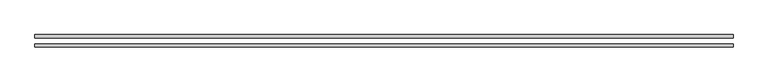
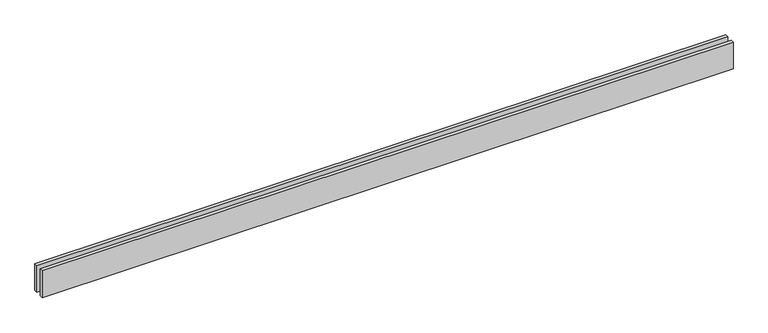
"""IFC4 building model written with IfcOpenShell, lengths in millimetres: proxy geometry."""

from ifc_helpers import new_model, si_unit, origin, origin_with_axes, place, context, project, spatial, polyline, outline, extrude, source, transform, mapped, element, save


def generic_models_b6d5a84d(model_context):
    return source(origin(), model_context, "Body", "SweptSolid", [
        extrude(outline(polyline([(6110.0, -25.0), (6110.0, -55.0), (0.0, -55.0), (0.0, -25.0), (6110.0, -25.0)])), origin_with_axes(), (0.0, 0.0, 1.0), 250.0),
        extrude(outline(polyline([(6110.0, 55.0), (6110.0, 25.0), (0.0, 25.0), (0.0, 55.0), (6110.0, 55.0)])), origin_with_axes(), (0.0, 0.0, 1.0), 250.0),
    ])


if __name__ == "__main__":
    model = new_model("IFC4")
    model_context = context("Model", 3, world=origin())
    ifc_project = project(units=[si_unit("LENGTHUNIT", "METRE", prefix="MILLI")], contexts=[model_context])
    site = spatial("IfcSite", under=ifc_project)
    building = spatial("IfcBuilding", under=site)
    placement = place(None, origin())
    generic_models_shape = generic_models_b6d5a84d(model_context)
    element("IfcBuildingElementProxy", 1, Name="Generic Models", at=placement, inside=building, context=model_context, shape_type="MappedRepresentation", body=[
        mapped(generic_models_shape, transform((0.0, 0.0, 0.0), x_axis=(1.0, 0.0, 0.0), y_axis=(0.0, 1.0, 0.0), z_axis=(0.0, 0.0, 1.0))),
    ])
    save(model, "model.ifc")
